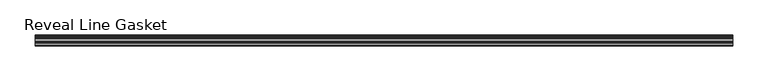
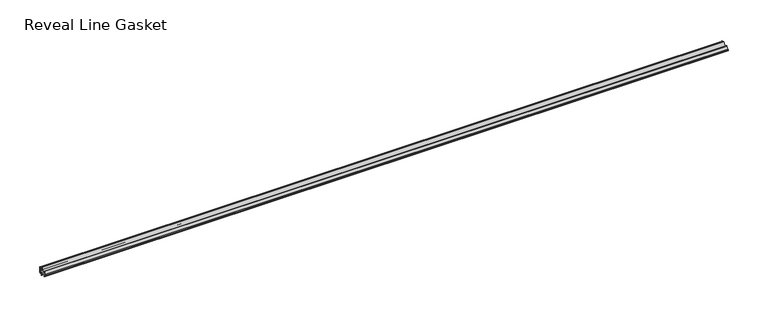
"""IFC4 building model written with IfcOpenShell, lengths in millimetres: furniture geometry, Reveal Line Gasket."""

from ifc_helpers import new_model, si_unit, point, frame, frame_2d, origin, place, context, project, spatial, polyline, circle_curve, trimmed, segment, composite_curve, outline, extrude, source, transform, mapped, element, save


def reveal_line_gasket_f194aed9(model_context):
    return source(origin(), model_context, "Body", "SweptSolid", [
        extrude(outline(composite_curve([segment(polyline([(7.6326998, 1603.2), (7.6326998, 1597.2), (7.4091917, 1596.2445073), (6.8813059, 1595.3115316)]), True, "CONTINUOUS"), segment(trimmed(circle_curve(frame_2d((6.5243141, 1595.5135207)), 0.4101739), [point((6.8813059, 1595.3115316))], [point((6.1246704, 1595.6058653))], False, "CARTESIAN"), True, "CONTINUOUS"), segment(polyline([(6.1246704, 1595.6058653), (6.3626997, 1597.3020914), (6.3626997, 1599.3345473)]), True, "CONTINUOUS"), segment(trimmed(circle_curve(frame_2d((5.6959605, 1598.9180742)), 0.786124), [point((6.3626997, 1599.3345473))], [point((5.0926996, 1599.422125))], True, "CARTESIAN"), True, "CONTINUOUS"), segment(polyline([(5.0926996, 1599.422125), (0.7492996, 1599.422125), (3.7293824, 1594.2604705)]), True, "CONTINUOUS"), segment(trimmed(circle_curve(frame_2d((3.3132479, 1594.1950239)), 0.4212495), [point((3.7293824, 1594.2604705))], [point((3.0485022, 1593.8673642))], False, "CARTESIAN"), True, "CONTINUOUS"), segment(polyline([(3.0485022, 1593.8673642), (-0.5742594, 1599.422125), (-4.8262978, 1599.422125), (-3.1660374, 1596.5464703)]), True, "CONTINUOUS"), segment(trimmed(circle_curve(frame_2d((-3.5978728, 1596.4881145)), 0.4357605), [point((-3.1660374, 1596.5464703))], [point((-3.864328, 1596.1433119))], False, "CARTESIAN"), True, "CONTINUOUS"), segment(polyline([(-3.864328, 1596.1433119), (-6.1944059, 1599.422125), (-7.6326998, 1599.422125), (-7.6326998, 1600.977875), (-6.1944059, 1600.977875), (-3.864328, 1604.2566881)]), True, "CONTINUOUS"), segment(trimmed(circle_curve(frame_2d((-3.5978728, 1603.9118855)), 0.4357605), [point((-3.864328, 1604.2566881))], [point((-3.1660374, 1603.8535297))], False, "CARTESIAN"), True, "CONTINUOUS"), segment(polyline([(-3.1660374, 1603.8535297), (-4.8262978, 1600.977875), (-0.5742594, 1600.977875), (3.0485022, 1606.5326358)]), True, "CONTINUOUS"), segment(trimmed(circle_curve(frame_2d((3.3132479, 1606.2049761)), 0.4212495), [point((3.0485022, 1606.5326358))], [point((3.7293824, 1606.1395295))], False, "CARTESIAN"), True, "CONTINUOUS"), segment(polyline([(3.7293824, 1606.1395295), (0.7492996, 1600.977875), (5.0926996, 1600.977875)]), True, "CONTINUOUS"), segment(trimmed(circle_curve(frame_2d((5.6959605, 1601.4819258)), 0.786124), [point((5.0926996, 1600.977875))], [point((6.3626997, 1601.0654527))], True, "CARTESIAN"), True, "CONTINUOUS"), segment(polyline([(6.3626997, 1601.0654527), (6.3626997, 1603.0979086), (6.1246704, 1604.7941347)]), True, "CONTINUOUS"), segment(trimmed(circle_curve(frame_2d((6.5243141, 1604.8864793)), 0.4101739), [point((6.1246704, 1604.7941347))], [point((6.8813059, 1605.0884684))], False, "CARTESIAN"), True, "CONTINUOUS"), segment(polyline([(6.8813059, 1605.0884684), (7.4091917, 1604.1554927), (7.6326998, 1603.2)]), True, "CONTINUOUS")], self_intersect=False)), frame((-493.4204, 0.0, 0.0), z_axis=(1.0, 0.0, 0.0), x_axis=(0.0, 1.0, 0.0)), (0.0, 0.0, 1.0), 986.8408),
    ])


if __name__ == "__main__":
    model = new_model("IFC4")
    model_context = context("Model", 3, world=origin())
    ifc_project = project(units=[si_unit("LENGTHUNIT", "METRE", prefix="MILLI")], contexts=[model_context])
    site = spatial("IfcSite", under=ifc_project)
    building = spatial("IfcBuilding", under=site)
    placement = place(None, origin())
    reveal_line_gasket_shape = reveal_line_gasket_f194aed9(model_context)
    element("IfcFurniture", 1, ObjectType="Reveal Line Gasket", at=placement, inside=building, context=model_context, shape_type="MappedRepresentation", body=[
        mapped(reveal_line_gasket_shape, transform((0.0, 0.0, 0.0), x_axis=(1.0, 0.0, 0.0), y_axis=(0.0, 1.0, 0.0), z_axis=(0.0, 0.0, 1.0))),
    ])
    save(model, "model.ifc")
